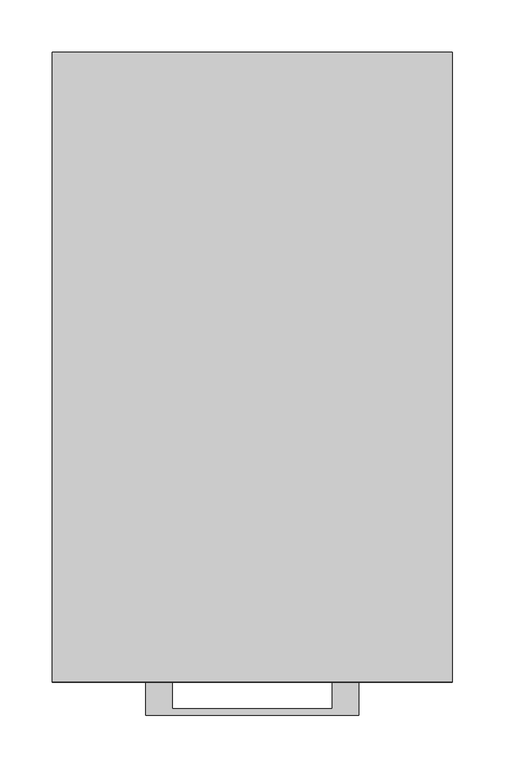
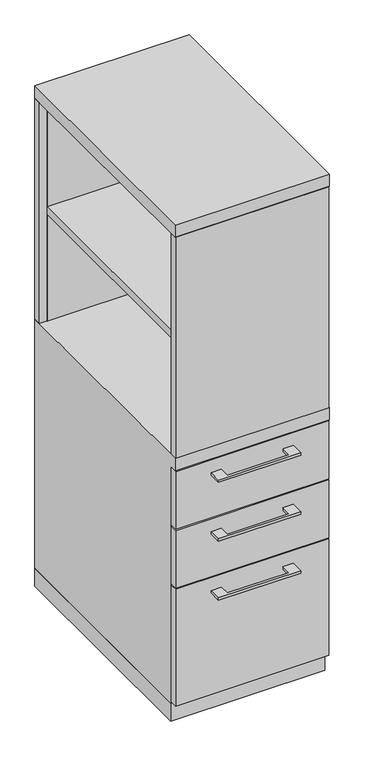
"""IFC4 building model written with IfcOpenShell, lengths in millimetres: furniture geometry."""

import ifcopenshell
import ifcopenshell.guid

model = None  # the IFC model being written
_history = None  # IfcOwnerHistory: only IFC2X3 demands one
_inside = {}  # id of a spatial element -> (the spatial element, [elements in it])
_under = {}  # id of a project, library or spatial element -> (it, [spatial elements below it])
_declared = {}  # id of a project -> (the project, [libraries it declares])
_typed = {}  # id of a type object -> (the type object, [elements of that type])
_made_of = {}  # id of a material, layer set ... -> (it, [elements and type objects made of it])


def new_model(schema):
    """Start an empty IFC model of exactly this schema.

    Asked for "IFC4X3", IfcOpenShell would pick the latest addendum, in which some entities
    have other attributes; the version numbers below select the first issue.
    IFC2X3 requires an IfcOwnerHistory on every rooted entity: one is made here for all.
    """
    global model, _history
    if schema == "IFC4X3":
        model = ifcopenshell.file(schema_version=(4, 3, 0, 0))
    else:
        model = ifcopenshell.file(schema=schema)
    _inside.clear()
    _under.clear()
    _declared.clear()
    _typed.clear()
    _made_of.clear()
    _history = None
    if model.schema == "IFC2X3":
        org = make("IfcOrganization", Name="unknown")
        user = make(
            "IfcPersonAndOrganization",
            ThePerson=make("IfcPerson", FamilyName="unknown"),
            TheOrganization=org,
        )
        app = make(
            "IfcApplication",
            ApplicationDeveloper=org,
            Version="unknown",
            ApplicationFullName="unknown",
            ApplicationIdentifier="unknown",
        )
        _history = make(
            "IfcOwnerHistory",
            OwningUser=user,
            OwningApplication=app,
            ChangeAction="ADDED",
            CreationDate=0,
        )
    return model


def make(cls, **values):
    """One entity of the class cls with the attributes given. An attribute that is None is left unset."""
    return model.create_entity(
        cls, **{name: value for name, value in values.items() if value is not None}
    )


def rooted(cls, **values):
    """An entity with a GlobalId (a new one), such as an element, a storey or a relation."""
    return make(cls, GlobalId=ifcopenshell.guid.new(), OwnerHistory=_history, **values)


def si_unit(unit_type, name, prefix=None):
    """IfcSIUnit, for example si_unit("LENGTHUNIT", "METRE", prefix="MILLI")."""
    return make("IfcSIUnit", UnitType=unit_type, Prefix=prefix, Name=name)


def assignment(units):
    """IfcUnitAssignment: the units of a project."""
    return None if units is None else make("IfcUnitAssignment", Units=units)


def point(xyz):
    """IfcCartesianPoint."""
    return None if xyz is None else make("IfcCartesianPoint", Coordinates=xyz)


def direction(xyz):
    """IfcDirection."""
    return None if xyz is None else make("IfcDirection", DirectionRatios=xyz)


def frame(location, z_axis=None, x_axis=None):
    """IfcAxis2Placement3D, a coordinate frame: its origin and axes. An axis left out is left unset."""
    return make(
        "IfcAxis2Placement3D",
        Location=point(location),
        Axis=direction(z_axis),
        RefDirection=direction(x_axis),
    )


def origin():
    """The frame at (0, 0, 0) with its axes left unset."""
    return frame((0.0, 0.0, 0.0))


def origin_with_axes():
    """The frame at (0, 0, 0) with the z axis (0, 0, 1) and the x axis (1, 0, 0) written out."""
    return frame((0.0, 0.0, 0.0), z_axis=(0.0, 0.0, 1.0), x_axis=(1.0, 0.0, 0.0))


def place(relative_to, where):
    """IfcLocalPlacement: puts the frame where relative to a parent placement (None: the world)."""
    return make(
        "IfcLocalPlacement", PlacementRelTo=relative_to, RelativePlacement=where
    )


def context(
    kind, dimensions, precision=None, world=None, true_north=None, identifier=None
):
    """IfcGeometricRepresentationContext, for example the 3D "Model" context."""
    return make(
        "IfcGeometricRepresentationContext",
        ContextIdentifier=identifier,
        ContextType=kind,
        CoordinateSpaceDimension=dimensions,
        Precision=precision,
        WorldCoordinateSystem=world,
        TrueNorth=true_north,
    )


def project(units=None, contexts=None):
    """IfcProject with its units and contexts."""
    return rooted(
        "IfcProject",
        Name="project",
        RepresentationContexts=contexts,
        UnitsInContext=assignment(units),
    )


def spatial(cls, under=None, at=None, **own):
    """A site, building, storey or space (cls), placed at a placement, below another one or the project."""
    s = rooted(cls, ObjectPlacement=at, **own)
    if under is not None:
        _under.setdefault(under.id(), (under, []))[1].append(s)
    return s


def polyline(points):
    """IfcPolyline through the points."""
    return make("IfcPolyline", Points=[point(p) for p in points])


def outline(outer, holes=None, kind="AREA"):
    """IfcArbitraryClosedProfileDef: a profile drawn as a closed curve; with holes, ...WithVoids."""
    if holes is None:
        return make("IfcArbitraryClosedProfileDef", ProfileType=kind, OuterCurve=outer)
    return make(
        "IfcArbitraryProfileDefWithVoids",
        ProfileType=kind,
        OuterCurve=outer,
        InnerCurves=holes,
    )


def extrude(swept, where, along, depth):
    """IfcExtrudedAreaSolid: the profile swept, set in the frame where, extruded along a direction by depth."""
    return make(
        "IfcExtrudedAreaSolid",
        SweptArea=swept,
        Position=where,
        ExtrudedDirection=direction(along),
        Depth=depth,
    )


def faces_of(points, faces, orient=None, outer=None):
    """IfcFace entities. A face is a list of loops; a loop is a list of indices into points, from 0.

    orient and outer hold one flag for each loop. By default every Orientation is true, the
    first loop of a face is its IfcFaceOuterBound and the others are IfcFaceBound.
    """
    made = []
    for i, loops in enumerate(faces):
        bounds = []
        for j, loop in enumerate(loops):
            is_outer = j == 0 if outer is None else outer[i][j]
            bounds.append(
                make(
                    "IfcFaceOuterBound" if is_outer else "IfcFaceBound",
                    Bound=make("IfcPolyLoop", Polygon=[points[k] for k in loop]),
                    Orientation=True if orient is None else orient[i][j],
                )
            )
        made.append(make("IfcFace", Bounds=bounds))
    return made


def faceted_brep(points, faces, orient=None, outer=None, voids=None):
    """IfcFacetedBrep: a solid bounded by flat faces; with voids (closed shells), ...WithVoids."""
    shared = [point(p) for p in points]
    hull = make("IfcClosedShell", CfsFaces=faces_of(shared, faces, orient, outer))
    if voids is None:
        return make("IfcFacetedBrep", Outer=hull)
    return make(
        "IfcFacetedBrepWithVoids",
        Outer=hull,
        Voids=[
            make(cls, CfsFaces=faces_of(shared, fs, o, b)) for cls, fs, o, b in voids
        ],
    )


def shape(context_of_items, identifier, shape_type, items):
    """IfcShapeRepresentation: the items that make up one representation, for example the "Body"."""
    return make(
        "IfcShapeRepresentation",
        ContextOfItems=context_of_items,
        RepresentationIdentifier=identifier,
        RepresentationType=shape_type,
        Items=items,
    )


def source(mapping_origin, context_of_items, identifier, shape_type, items):
    """IfcRepresentationMap: a shape defined once, which mapped items show again and again."""
    return make(
        "IfcRepresentationMap",
        MappingOrigin=mapping_origin,
        MappedRepresentation=shape(context_of_items, identifier, shape_type, items),
    )


def transform(
    local_origin,
    x_axis=None,
    y_axis=None,
    z_axis=None,
    scale=None,
    scale2=None,
    scale3=None,
    uniform=True,
):
    """IfcCartesianTransformationOperator3D, or its non-uniform kind. x_axis, y_axis, z_axis: its Axis1, 2, 3."""
    if uniform:
        return make(
            "IfcCartesianTransformationOperator3D",
            Axis1=direction(x_axis),
            Axis2=direction(y_axis),
            LocalOrigin=point(local_origin),
            Scale=scale,
            Axis3=direction(z_axis),
        )
    return make(
        "IfcCartesianTransformationOperator3DnonUniform",
        Axis1=direction(x_axis),
        Axis2=direction(y_axis),
        LocalOrigin=point(local_origin),
        Scale=scale,
        Axis3=direction(z_axis),
        Scale2=scale2,
        Scale3=scale3,
    )


def mapped(mapping_source, mapping_target):
    """IfcMappedItem: shows the shape of a source again, moved by a transform."""
    return make(
        "IfcMappedItem", MappingSource=mapping_source, MappingTarget=mapping_target
    )


def made_of(thing, what):
    """Note that an element or type object is made of a material, layer set ...; save() writes the relation."""
    if what is not None:
        _made_of.setdefault(what.id(), (what, []))[1].append(thing)
    return thing


def element(
    cls,
    number,
    at=None,
    inside=None,
    cuts=None,
    type_object=None,
    material=None,
    context=None,
    identifier="Body",
    shape_type=None,
    held_by="IfcProductDefinitionShape",
    body=None,
    shapes=None,
    **own,
):
    """One element of the class cls, such as IfcWall. Its Tag is "e" and its number.

    at: its placement. inside: the storey or other place that contains it. cuts: it is an
    opening in that element (IfcRelVoidsElement). A single representation is given by context,
    identifier, shape_type and body (its items); several are given by shapes. held_by: the class
    of the entity that holds the representations. save() writes the other relations.
    """
    e = rooted(cls, Tag="e%d" % number, ObjectPlacement=at, **own)
    if body is not None:
        shapes = [shape(context, identifier, shape_type, body)]
    if shapes is not None:
        e.Representation = make(held_by, Representations=shapes)
    if inside is not None:
        _inside.setdefault(inside.id(), (inside, []))[1].append(e)
    if cuts is not None:
        rooted(
            "IfcRelVoidsElement", RelatingBuildingElement=cuts, RelatedOpeningElement=e
        )
    if type_object is not None:
        _typed.setdefault(type_object.id(), (type_object, []))[1].append(e)
    return made_of(e, material)


def aggregate(whole, parts):
    """IfcRelAggregates: a whole, such as a stair, and the parts it consists of."""
    return rooted("IfcRelAggregates", RelatingObject=whole, RelatedObjects=parts)


def save(model, path):
    """Write the relations noted so far, then the file.

    IfcRelAggregates (storeys below a building ...), IfcRelContainedInSpatialStructure (elements
    in a storey), IfcRelDefinesByType, IfcRelAssociatesMaterial and IfcRelDeclares: one each for
    every whole, place, type object, material and project.
    """
    for whole, parts in _under.values():
        aggregate(whole, parts)
    for where, things in _inside.values():
        rooted(
            "IfcRelContainedInSpatialStructure",
            RelatedElements=things,
            RelatingStructure=where,
        )
    for kind, things in _typed.values():
        rooted("IfcRelDefinesByType", RelatedObjects=things, RelatingType=kind)
    for what, things in _made_of.values():
        rooted("IfcRelAssociatesMaterial", RelatedObjects=things, RelatingMaterial=what)
    for by, libraries in _declared.values():
        rooted("IfcRelDeclares", RelatingContext=by, RelatedDefinitions=libraries)
    model.write(path)


def furniture_f4239e63(model_context):
    return source(origin(), model_context, "Body", "SolidModel", [
        extrude(outline(polyline([(171.45, -581.025), (-171.45, -581.025), (-171.45, -19.05), (171.45, -19.05), (171.45, -581.025)])), frame((0.0, 0.0, 977.9), z_axis=(0.0, 0.0, 1.0), x_axis=(1.0, 0.0, 0.0)), (0.0, 0.0, 1.0), 19.05),
        extrude(outline(polyline([(-76.1999818, -600.075), (-76.1999818, -625.4749758), (76.2, -625.4749758), (76.2, -600.075), (101.5999939, -600.075), (101.5999939, -631.8249879), (-101.5999939, -631.8249879), (-101.5999939, -600.075), (-76.1999818, -600.075)])), frame((0.0, 0.0, 623.8875506), z_axis=(0.0, 0.0, 1.0), x_axis=(1.0, 0.0, 0.0)), (0.0, 0.0, 1.0), 6.3499758),
        extrude(outline(polyline([(188.9125, -581.025), (188.9125, -600.075), (-188.9125, -600.075), (-188.9125, -581.025), (188.9125, -581.025)])), frame((0.0, 0.0, 512.7625), z_axis=(0.0, 0.0, 1.0), x_axis=(1.0, 0.0, 0.0)), (0.0, 0.0, 1.0), 150.8125),
        extrude(outline(polyline([(-76.1999818, -600.075), (-76.1999818, -625.4749758), (76.2, -625.4749758), (76.2, -600.075), (101.5999939, -600.075), (101.5999939, -631.8249879), (-101.5999939, -631.8249879), (-101.5999939, -600.075), (-76.1999818, -600.075)])), frame((0.0, 0.0, 469.9000506), z_axis=(0.0, 0.0, 1.0), x_axis=(1.0, 0.0, 0.0)), (0.0, 0.0, 1.0), 6.3499758),
        extrude(outline(polyline([(188.9125, -581.025), (188.9125, -600.075), (-188.9125, -600.075), (-188.9125, -581.025), (188.9125, -581.025)])), frame((0.0, 0.0, 358.775), z_axis=(0.0, 0.0, 1.0), x_axis=(1.0, 0.0, 0.0)), (0.0, 0.0, 1.0), 150.8125),
        extrude(outline(polyline([(-76.1999818, -600.075), (-76.1999818, -625.4749758), (76.2, -625.4749758), (76.2, -600.075), (101.5999939, -600.075), (101.5999939, -631.8249879), (-101.5999939, -631.8249879), (-101.5999939, -600.075), (-76.1999818, -600.075)])), frame((0.0, 0.0, 315.9125506), z_axis=(0.0, 0.0, 1.0), x_axis=(1.0, 0.0, 0.0)), (0.0, 0.0, 1.0), 6.3499758),
        extrude(outline(polyline([(188.9125, -581.025), (188.9125, -600.075), (-188.9125, -600.075), (-188.9125, -581.025), (188.9125, -581.025)])), frame((0.0, 0.0, 50.8), z_axis=(0.0, 0.0, 1.0), x_axis=(1.0, 0.0, 0.0)), (0.0, 0.0, 1.0), 304.8),
        extrude(outline(polyline([(188.9125, -581.025), (188.9125, -600.075), (-188.9125, -600.075), (-188.9125, -581.025), (188.9125, -581.025)])), frame((0.0, 0.0, 698.5), z_axis=(0.0, 0.0, 1.0), x_axis=(1.0, 0.0, 0.0)), (0.0, 0.0, 1.0), 577.85),
        extrude(outline(polyline([(171.45, -19.05), (-171.45, -19.05), (-171.45, 0.0), (171.45, 0.0), (171.45, -19.05)])), frame((0.0, 0.0, 47.625), z_axis=(0.0, 0.0, 1.0), x_axis=(1.0, 0.0, 0.0)), (0.0, 0.0, 1.0), 1228.725),
        faceted_brep([(-171.45, 0.0, 698.5), (-190.5, 0.0, 698.5), (-190.5, -600.075, 698.5), (190.5, -600.075, 698.5), (190.5, 0.0, 698.5), (171.45, 0.0, 698.5), (171.45, -19.05, 698.5), (-171.45, -19.05, 698.5), (-171.45, 0.0, 47.625), (-171.45, -581.025, 47.625), (-190.5, -581.025, 47.625), (-190.5, 0.0, 47.625), (-190.5, -581.025, 666.75), (-190.5, -600.075, 666.75), (-171.45, -581.025, 666.75), (-171.45, -19.05, 666.75), (190.5, -600.075, 666.75), (171.45, -19.05, 666.75), (171.45, -581.025, 666.75), (190.5, -581.025, 666.75), (190.5, -581.025, 47.625), (190.5, 0.0, 47.625), (171.45, -581.025, 47.625), (171.45, 0.0, 47.625)], [[[0, 1, 2, 3, 4, 5, 6, 7]], [[8, 9, 10, 11]], [[1, 0, 8, 11]], [[11, 10, 12, 13, 2, 1]], [[10, 9, 14, 12]], [[9, 8, 0, 7, 15, 14]], [[16, 13, 12, 14, 15, 17, 18, 19]], [[15, 7, 6, 17]], [[3, 2, 13, 16]], [[4, 3, 16, 19, 20, 21]], [[21, 20, 22, 23]], [[5, 4, 21, 23]], [[23, 22, 18, 17, 6, 5]], [[22, 20, 19, 18]]]),
        extrude(outline(polyline([(-171.45, 0.0), (-171.45, -19.05), (-190.5, -19.05), (-190.5, 0.0), (-171.45, 0.0)])), frame((0.0, 0.0, 698.5), z_axis=(0.0, 0.0, 1.0), x_axis=(1.0, 0.0, 0.0)), (0.0, 0.0, 1.0), 577.85),
        extrude(outline(polyline([(190.5, -581.025), (171.45, -581.025), (171.45, 0.0), (190.5, 0.0), (190.5, -581.025)])), frame((0.0, 0.0, 698.5), z_axis=(0.0, 0.0, 1.0), x_axis=(1.0, 0.0, 0.0)), (0.0, 0.0, 1.0), 577.85),
        extrude(outline(polyline([(190.5, 0.0), (190.5, -600.075), (-190.5, -600.075), (-190.5, 0.0), (190.5, 0.0)])), frame((0.0, 0.0, 1276.35), z_axis=(0.0, 0.0, 1.0), x_axis=(1.0, 0.0, 0.0)), (0.0, 0.0, 1.0), 31.75),
        extrude(outline(polyline([(190.5, 0.0), (190.5, -581.025), (-190.5, -581.025), (-190.5, 0.0), (190.5, 0.0)])), origin_with_axes(), (0.0, 0.0, 1.0), 47.625),
    ])


if __name__ == "__main__":
    model = new_model("IFC4")
    model_context = context("Model", 3, world=origin())
    ifc_project = project(units=[si_unit("LENGTHUNIT", "METRE", prefix="MILLI")], contexts=[model_context])
    site = spatial("IfcSite", under=ifc_project)
    building = spatial("IfcBuilding", under=site)
    placement = place(None, origin())
    furniture_shape = furniture_f4239e63(model_context)
    element("IfcFurniture", 1, at=placement, inside=building, context=model_context, shape_type="MappedRepresentation", body=[
        mapped(furniture_shape, transform((0.0, 0.0, 0.0), x_axis=(1.0, 0.0, 0.0), y_axis=(0.0, 1.0, 0.0), z_axis=(0.0, 0.0, 1.0))),
    ])
    save(model, "model.ifc")
